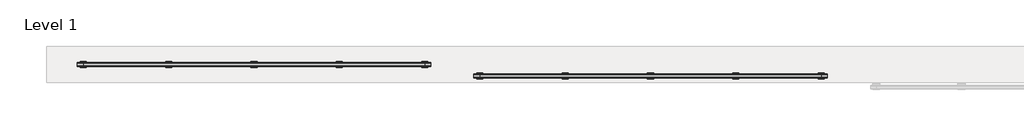
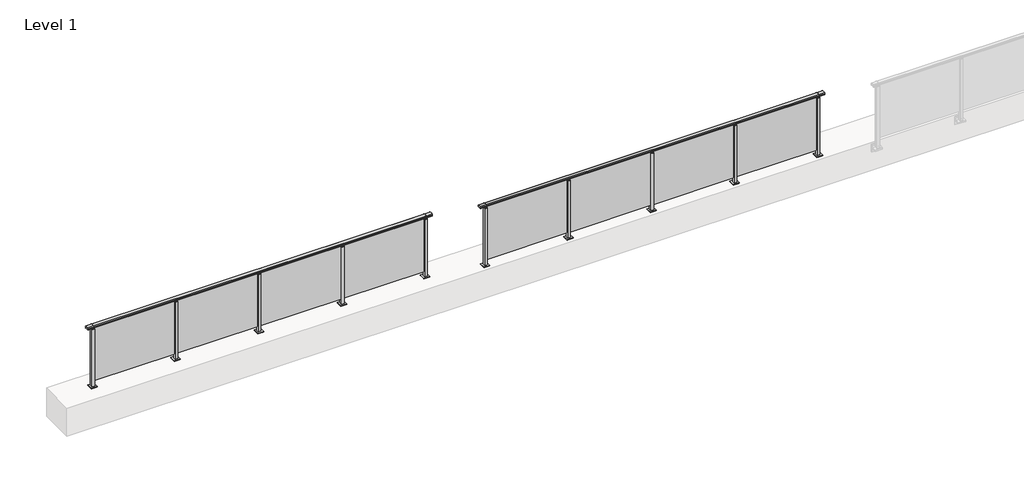
# One storey, part 49 of 64: 2 railings.
"""IFC4 building model written with IfcOpenShell, lengths in millimetres."""

from ifc_helpers import new_model, si_unit, frame, origin, origin_with_axes, place, context, project, spatial, polyline, circle_curve, outline, extrude, element, save
from ifc_brep_helpers import plane_surface, cylinder_surface, revolved_surface, advanced_brep

model = new_model("IFC4")

# Units and contexts
model_context = context("Model", 3, world=origin())
ifc_project = project(units=[si_unit("LENGTHUNIT", "METRE", prefix="MILLI")], contexts=[model_context])

# Site, building, storey
site = spatial("IfcSite", under=ifc_project)
building = spatial("IfcBuilding", under=site)
storey = spatial("IfcBuildingStorey", under=building, Name="Level 1", Elevation=0.0)

# Railings
placement = place(None, origin())
element("IfcRailing", 1, at=placement, inside=storey, context=model_context, shape_type="SolidModel", body=[
    advanced_brep(
    [(29900.0, 30215.3633756, 1095.6691182), (29900.0, 30220.1846828, 1081.1334092), (29900.0, 30219.2413744, 1069.2539035), (29900.0, 30221.1364177, 1061.4863007), (29900.0, 30219.4894799, 1060.384124), (29900.0, 30219.4894799, 1062.0), (29900.0, 30160.8798858, 1062.0), (29900.0, 30160.8798858, 1060.384124), (29900.0, 30159.232948, 1061.4863007), (29900.0, 30161.1279912, 1069.2539035), (29900.0, 30160.1846828, 1081.1334092), (29900.0, 30165.00599, 1095.6691182), (35700.0, 30215.3633756, 1095.6691182), (35700.0, 30165.00599, 1095.6691182), (35700.0, 30160.1846828, 1081.1334092), (35700.0, 30161.1279912, 1069.2539035), (35700.0, 30159.232948, 1061.4863007), (35700.0, 30160.8798858, 1060.384124), (35700.0, 30160.8798858, 1062.0), (35700.0, 30219.4894799, 1062.0), (35700.0, 30219.4894799, 1060.384124), (35700.0, 30221.1364177, 1061.4863007), (35700.0, 30219.2413744, 1069.2539035), (35700.0, 30220.1846828, 1081.1334092), (30000.0, 30215.3633756, 1095.6691182), (30000.0, 30220.1846828, 1081.1334092), (30000.0, 30219.2413744, 1069.2539035), (30000.0, 30221.1364177, 1061.4863007), (30000.0, 30219.4894799, 1060.384124), (30000.0, 30219.4894799, 1062.0), (30000.0, 30160.8798858, 1062.0), (30000.0, 30160.8798858, 1060.384124), (30000.0, 30159.232948, 1061.4863007), (30000.0, 30161.1279912, 1069.2539035), (30000.0, 30160.1846828, 1081.1334092), (30000.0, 30165.00599, 1095.6691182), (35600.0, 30215.3633756, 1095.6691182), (35600.0, 30220.1846828, 1081.1334092), (35600.0, 30219.2413744, 1069.2539035), (35600.0, 30221.1364177, 1061.4863007), (35600.0, 30219.4894799, 1060.384124), (35600.0, 30219.4894799, 1062.0), (35600.0, 30160.8798858, 1062.0), (35600.0, 30160.8798858, 1060.384124), (35600.0, 30159.232948, 1061.4863007), (35600.0, 30161.1279912, 1069.2539035), (35600.0, 30160.1846828, 1081.1334092), (35600.0, 30165.00599, 1095.6691182)],
    [
        (0, 1, circle_curve(frame((29900.0, 30212.1223845, 1086.526686), z_axis=(-1.0, 0.0, 0.0), x_axis=(0.0, -1.0, 0.0)), 9.6999015)),
        (1, 2, circle_curve(frame((29900.0, 30237.7252545, 1073.7633709), z_axis=(1.0, 0.0, 0.0), x_axis=(0.0, -1.0, 0.0)), 19.0260117)),
        (2, 3),
        (3, 4, circle_curve(frame((29900.0, 30220.2772073, 1060.9886194), z_axis=(-1.0, 0.0, 0.0), x_axis=(0.0, -1.0, 0.0)), 0.9929396)),
        (4, 5),
        (5, 6),
        (6, 7),
        (7, 8, circle_curve(frame((29900.0, 30160.0921584, 1060.9886194), z_axis=(-1.0, 0.0, 0.0), x_axis=(0.0, 1.0, 0.0)), 0.9929396)),
        (8, 9),
        (9, 10, circle_curve(frame((29900.0, 30142.6441111, 1073.7633709), z_axis=(1.0, 0.0, 0.0), x_axis=(0.0, 1.0, 0.0)), 19.0260117)),
        (10, 11, circle_curve(frame((29900.0, 30168.2469812, 1086.526686), z_axis=(-1.0, 0.0, 0.0), x_axis=(0.0, 1.0, 0.0)), 9.6999015)),
        (11, 0, circle_curve(frame((29900.0, 30190.1846828, 1024.6431628), z_axis=(-1.0, 0.0, 0.0), x_axis=(0.0, 1.0, 0.0)), 75.3568372)),
        (12, 13, circle_curve(frame((35700.0, 30190.1846828, 1024.6431628), z_axis=(1.0, 0.0, 0.0), x_axis=(0.0, 1.0, 0.0)), 75.3568372)),
        (13, 14, circle_curve(frame((35700.0, 30168.2469812, 1086.526686), z_axis=(1.0, 0.0, 0.0), x_axis=(0.0, 1.0, 0.0)), 9.6999015)),
        (14, 15, circle_curve(frame((35700.0, 30142.6441111, 1073.7633709), z_axis=(-1.0, 0.0, 0.0), x_axis=(0.0, 1.0, 0.0)), 19.0260117)),
        (15, 16),
        (16, 17, circle_curve(frame((35700.0, 30160.0921584, 1060.9886194), z_axis=(1.0, 0.0, 0.0), x_axis=(0.0, 1.0, 0.0)), 0.9929396)),
        (17, 18),
        (18, 19),
        (19, 20),
        (20, 21, circle_curve(frame((35700.0, 30220.2772073, 1060.9886194), z_axis=(1.0, 0.0, 0.0), x_axis=(0.0, -1.0, 0.0)), 0.9929396)),
        (21, 22),
        (22, 23, circle_curve(frame((35700.0, 30237.7252545, 1073.7633709), z_axis=(-1.0, 0.0, 0.0), x_axis=(0.0, -1.0, 0.0)), 19.0260117)),
        (23, 12, circle_curve(frame((35700.0, 30212.1223845, 1086.526686), z_axis=(1.0, 0.0, 0.0), x_axis=(0.0, -1.0, 0.0)), 9.6999015)),
        (0, 24),
        (24, 25, circle_curve(frame((30000.0, 30212.1223845, 1086.526686), z_axis=(-1.0, 0.0, 0.0), x_axis=(0.0, -1.0, 0.0)), 9.6999015)),
        (25, 1),
        (25, 26, circle_curve(frame((30000.0, 30237.7252545, 1073.7633709), z_axis=(1.0, 0.0, 0.0), x_axis=(0.0, -1.0, 0.0)), 19.0260117)),
        (26, 2),
        (26, 27),
        (27, 3),
        (27, 28, circle_curve(frame((30000.0, 30220.2772073, 1060.9886194), z_axis=(-1.0, 0.0, 0.0), x_axis=(0.0, -1.0, 0.0)), 0.9929396)),
        (28, 4),
        (28, 29),
        (29, 5),
        (29, 30),
        (30, 6),
        (30, 31),
        (31, 7),
        (31, 32, circle_curve(frame((30000.0, 30160.0921584, 1060.9886194), z_axis=(-1.0, 0.0, 0.0), x_axis=(0.0, 1.0, 0.0)), 0.9929396)),
        (32, 8),
        (32, 33),
        (33, 9),
        (33, 34, circle_curve(frame((30000.0, 30142.6441111, 1073.7633709), z_axis=(1.0, 0.0, 0.0), x_axis=(0.0, 1.0, 0.0)), 19.0260117)),
        (34, 10),
        (34, 35, circle_curve(frame((30000.0, 30168.2469812, 1086.526686), z_axis=(-1.0, 0.0, 0.0), x_axis=(0.0, 1.0, 0.0)), 9.6999015)),
        (35, 11),
        (35, 24, circle_curve(frame((30000.0, 30190.1846828, 1024.6431628), z_axis=(-1.0, 0.0, 0.0), x_axis=(0.0, 1.0, 0.0)), 75.3568372)),
        (24, 36),
        (36, 37, circle_curve(frame((35600.0, 30212.1223845, 1086.526686), z_axis=(-1.0, 0.0, 0.0), x_axis=(0.0, -1.0, 0.0)), 9.6999015)),
        (37, 25),
        (37, 38, circle_curve(frame((35600.0, 30237.7252545, 1073.7633709), z_axis=(1.0, 0.0, 0.0), x_axis=(0.0, -1.0, 0.0)), 19.0260117)),
        (38, 26),
        (38, 39),
        (39, 27),
        (39, 40, circle_curve(frame((35600.0, 30220.2772073, 1060.9886194), z_axis=(-1.0, 0.0, 0.0), x_axis=(0.0, -1.0, 0.0)), 0.9929396)),
        (40, 28),
        (40, 41),
        (41, 29),
        (41, 42),
        (42, 30),
        (42, 43),
        (43, 31),
        (43, 44, circle_curve(frame((35600.0, 30160.0921584, 1060.9886194), z_axis=(-1.0, 0.0, 0.0), x_axis=(0.0, 1.0, 0.0)), 0.9929396)),
        (44, 32),
        (44, 45),
        (45, 33),
        (45, 46, circle_curve(frame((35600.0, 30142.6441111, 1073.7633709), z_axis=(1.0, 0.0, 0.0), x_axis=(0.0, 1.0, 0.0)), 19.0260117)),
        (46, 34),
        (46, 47, circle_curve(frame((35600.0, 30168.2469812, 1086.526686), z_axis=(-1.0, 0.0, 0.0), x_axis=(0.0, 1.0, 0.0)), 9.6999015)),
        (47, 35),
        (47, 36, circle_curve(frame((35600.0, 30190.1846828, 1024.6431628), z_axis=(-1.0, 0.0, 0.0), x_axis=(0.0, 1.0, 0.0)), 75.3568372)),
        (36, 12),
        (23, 37),
        (22, 38),
        (21, 39),
        (20, 40),
        (19, 41),
        (18, 42),
        (17, 43),
        (16, 44),
        (15, 45),
        (14, 46),
        (13, 47),
    ],
    [
        plane_surface(frame((29900.0, 30190.1846828, 1100.0), z_axis=(-1.0, 0.0, 0.0), x_axis=(0.0, 1.0, 0.0))),
        plane_surface(frame((35700.0, 30190.1846828, 1100.0), z_axis=(1.0, 0.0, 0.0), x_axis=(0.0, 1.0, 0.0))),
        cylinder_surface(frame((29900.0, 30212.1223845, 1086.526686), z_axis=(-1.0, 0.0, 0.0), x_axis=(0.0, -1.0, 0.0)), 9.6999015),
        revolved_surface(polyline([(30000.0, 30218.6992428, 1073.7633709), (29900.0, 30218.6992428, 1073.7633709)]), (29900.0, 30237.7252545, 1073.7633709), (1.0, 0.0, 0.0)),
        plane_surface(frame((29900.0, 30219.2413744, 1069.2539035), z_axis=(0.0, 0.9715057689301543, 0.2370159086125439), x_axis=(1.0, 0.0, 0.0))),
        cylinder_surface(frame((29900.0, 30220.2772073, 1060.9886194), z_axis=(-1.0, 0.0, 0.0), x_axis=(0.0, -1.0, 0.0)), 0.9929396),
        plane_surface(frame((29900.0, 30219.4894799, 1060.384124), z_axis=(0.0, -1.0, 0.0), x_axis=(1.0, 0.0, 0.0))),
        plane_surface(frame((29900.0, 30219.4894799, 1062.0), z_axis=(0.0, 0.0, -1.0), x_axis=(1.0, 0.0, 0.0))),
        plane_surface(frame((29900.0, 30160.8798858, 1062.0), z_axis=(0.0, 1.0, 0.0), x_axis=(1.0, 0.0, 0.0))),
        cylinder_surface(frame((29900.0, 30160.0921584, 1060.9886194), z_axis=(-1.0, 0.0, 0.0), x_axis=(0.0, 1.0, 0.0)), 0.9929396),
        plane_surface(frame((29900.0, 30159.232948, 1061.4863007), z_axis=(0.0, -0.9715057689301543, 0.2370159086125439), x_axis=(1.0, 0.0, 0.0))),
        revolved_surface(polyline([(30000.0, 30161.6701228, 1073.7633709), (29900.0, 30161.6701228, 1073.7633709)]), (29900.0, 30142.6441111, 1073.7633709), (1.0, 0.0, 0.0)),
        cylinder_surface(frame((29900.0, 30168.2469812, 1086.526686), z_axis=(-1.0, 0.0, 0.0), x_axis=(0.0, 1.0, 0.0)), 9.6999015),
        cylinder_surface(frame((29900.0, 30190.1846828, 1024.6431628), z_axis=(-1.0, 0.0, 0.0), x_axis=(0.0, 1.0, 0.0)), 75.3568372),
        cylinder_surface(frame((30000.0, 30212.1223845, 1086.526686), z_axis=(-1.0, 0.0, 0.0), x_axis=(0.0, -1.0, 0.0)), 9.6999015),
        revolved_surface(polyline([(35600.0, 30218.6992428, 1073.7633709), (30000.0, 30218.6992428, 1073.7633709)]), (30000.0, 30237.7252545, 1073.7633709), (1.0, 0.0, 0.0)),
        plane_surface(frame((30000.0, 30219.2413744, 1069.2539035), z_axis=(0.0, 0.9715057689301543, 0.2370159086125439), x_axis=(1.0, 0.0, 0.0))),
        cylinder_surface(frame((30000.0, 30220.2772073, 1060.9886194), z_axis=(-1.0, 0.0, 0.0), x_axis=(0.0, -1.0, 0.0)), 0.9929396),
        plane_surface(frame((30000.0, 30219.4894799, 1060.384124), z_axis=(0.0, -1.0, 0.0), x_axis=(1.0, 0.0, 0.0))),
        plane_surface(frame((30000.0, 30219.4894799, 1062.0), z_axis=(0.0, 0.0, -1.0), x_axis=(1.0, 0.0, 0.0))),
        plane_surface(frame((30000.0, 30160.8798858, 1062.0), z_axis=(0.0, 1.0, 0.0), x_axis=(1.0, 0.0, 0.0))),
        cylinder_surface(frame((30000.0, 30160.0921584, 1060.9886194), z_axis=(-1.0, 0.0, 0.0), x_axis=(0.0, 1.0, 0.0)), 0.9929396),
        plane_surface(frame((30000.0, 30159.232948, 1061.4863007), z_axis=(0.0, -0.9715057689301543, 0.2370159086125439), x_axis=(1.0, 0.0, 0.0))),
        revolved_surface(polyline([(35600.0, 30161.6701228, 1073.7633709), (30000.0, 30161.6701228, 1073.7633709)]), (30000.0, 30142.6441111, 1073.7633709), (1.0, 0.0, 0.0)),
        cylinder_surface(frame((30000.0, 30168.2469812, 1086.526686), z_axis=(-1.0, 0.0, 0.0), x_axis=(0.0, 1.0, 0.0)), 9.6999015),
        cylinder_surface(frame((30000.0, 30190.1846828, 1024.6431628), z_axis=(-1.0, 0.0, 0.0), x_axis=(0.0, 1.0, 0.0)), 75.3568372),
        cylinder_surface(frame((35600.0, 30212.1223845, 1086.526686), z_axis=(-1.0, 0.0, 0.0), x_axis=(0.0, -1.0, 0.0)), 9.6999015),
        revolved_surface(polyline([(35700.0, 30218.6992428, 1073.7633709), (35600.0, 30218.6992428, 1073.7633709)]), (35600.0, 30237.7252545, 1073.7633709), (1.0, 0.0, 0.0)),
        plane_surface(frame((35600.0, 30219.2413744, 1069.2539035), z_axis=(0.0, 0.9715057689301543, 0.2370159086125439), x_axis=(1.0, 0.0, 0.0))),
        cylinder_surface(frame((35600.0, 30220.2772073, 1060.9886194), z_axis=(-1.0, 0.0, 0.0), x_axis=(0.0, -1.0, 0.0)), 0.9929396),
        plane_surface(frame((35600.0, 30219.4894799, 1060.384124), z_axis=(0.0, -1.0, 0.0), x_axis=(1.0, 0.0, 0.0))),
        plane_surface(frame((35600.0, 30219.4894799, 1062.0), z_axis=(0.0, 0.0, -1.0), x_axis=(1.0, 0.0, 0.0))),
        plane_surface(frame((35600.0, 30160.8798858, 1062.0), z_axis=(0.0, 1.0, 0.0), x_axis=(1.0, 0.0, 0.0))),
        cylinder_surface(frame((35600.0, 30160.0921584, 1060.9886194), z_axis=(-1.0, 0.0, 0.0), x_axis=(0.0, 1.0, 0.0)), 0.9929396),
        plane_surface(frame((35600.0, 30159.232948, 1061.4863007), z_axis=(0.0, -0.9715057689301543, 0.2370159086125439), x_axis=(1.0, 0.0, 0.0))),
        revolved_surface(polyline([(35700.0, 30161.6701228, 1073.7633709), (35600.0, 30161.6701228, 1073.7633709)]), (35600.0, 30142.6441111, 1073.7633709), (1.0, 0.0, 0.0)),
        cylinder_surface(frame((35600.0, 30168.2469812, 1086.526686), z_axis=(-1.0, 0.0, 0.0), x_axis=(0.0, 1.0, 0.0)), 9.6999015),
        cylinder_surface(frame((35600.0, 30190.1846828, 1024.6431628), z_axis=(-1.0, 0.0, 0.0), x_axis=(0.0, 1.0, 0.0)), 75.3568372),
    ],
    [
        (0, [[1, 2, 3, 4, 5, 6, 7, 8, 9, 10, 11, 12]]),
        (1, [[13, 14, 15, 16, 17, 18, 19, 20, 21, 22, 23, 24]]),
        (2, [[-1, 25, 26, 27]]),
        (3, [[-2, -27, 28, 29]]),
        (4, [[-3, -29, 30, 31]]),
        (5, [[-4, -31, 32, 33]]),
        (6, [[-5, -33, 34, 35]]),
        (7, [[-6, -35, 36, 37]]),
        (8, [[-7, -37, 38, 39]]),
        (9, [[-8, -39, 40, 41]]),
        (10, [[-9, -41, 42, 43]]),
        (11, [[-10, -43, 44, 45]]),
        (12, [[-11, -45, 46, 47]]),
        (13, [[-12, -47, 48, -25]]),
        (14, [[-26, 49, 50, 51]]),
        (15, [[-28, -51, 52, 53]]),
        (16, [[-30, -53, 54, 55]]),
        (17, [[-32, -55, 56, 57]]),
        (18, [[-34, -57, 58, 59]]),
        (19, [[-36, -59, 60, 61]]),
        (20, [[-38, -61, 62, 63]]),
        (21, [[-40, -63, 64, 65]]),
        (22, [[-42, -65, 66, 67]]),
        (23, [[-44, -67, 68, 69]]),
        (24, [[-46, -69, 70, 71]]),
        (25, [[-48, -71, 72, -49]]),
        (26, [[-50, 73, -24, 74]]),
        (27, [[-52, -74, -23, 75]]),
        (28, [[-54, -75, -22, 76]]),
        (29, [[-56, -76, -21, 77]]),
        (30, [[-58, -77, -20, 78]]),
        (31, [[-60, -78, -19, 79]]),
        (32, [[-62, -79, -18, 80]]),
        (33, [[-64, -80, -17, 81]]),
        (34, [[-66, -81, -16, 82]]),
        (35, [[-68, -82, -15, 83]]),
        (36, [[-70, -83, -14, 84]]),
        (37, [[-72, -84, -13, -73]]),
    ],
),
    extrude(outline(polyline([(34210.0, 30195.9598727), (35590.0, 30195.9598727), (35590.0, 30185.9598727), (34210.0, 30185.9598727), (34210.0, 30195.9598727)])), frame((0.0, 0.0, 95.0), z_axis=(0.0, 0.0, 1.0), x_axis=(1.0, 0.0, 0.0)), (0.0, 0.0, 1.0), 970.0),
    extrude(outline(polyline([(34210.0, 30180.1846828), (34190.0, 30180.1846828), (34190.0, 30200.1846828), (34210.0, 30200.1846828), (34210.0, 30180.1846828)])), frame((0.0, 0.0, 1035.0), z_axis=(0.0, 0.0, 1.0), x_axis=(1.0, 0.0, 0.0)), (0.0, 0.0, 1.0), 20.0),
    extrude(outline(polyline([(34222.5, 30167.6846828), (34177.5, 30167.6846828), (34177.5, 30212.6846828), (34222.5, 30212.6846828), (34222.5, 30167.6846828)])), frame((0.0, 0.0, 1027.0), z_axis=(0.0, 0.0, 1.0), x_axis=(1.0, 0.0, 0.0)), (0.0, 0.0, 1.0), 8.0),
    extrude(outline(polyline([(34250.0, 30140.1846828), (34150.0, 30140.1846828), (34150.0, 30240.1846828), (34250.0, 30240.1846828), (34250.0, 30140.1846828)])), origin_with_axes(), (0.0, 0.0, 1.0), 12.0),
    extrude(outline(polyline([(34222.5, 30167.6846828), (34177.5, 30167.6846828), (34177.5, 30212.6846828), (34222.5, 30212.6846828), (34222.5, 30167.6846828)])), frame((0.0, 0.0, 12.0), z_axis=(0.0, 0.0, 1.0), x_axis=(1.0, 0.0, 0.0)), (0.0, 0.0, 1.0), 1015.0),
    extrude(outline(polyline([(32810.0, 30195.9598727), (34190.0, 30195.9598727), (34190.0, 30185.9598727), (32810.0, 30185.9598727), (32810.0, 30195.9598727)])), frame((0.0, 0.0, 95.0), z_axis=(0.0, 0.0, 1.0), x_axis=(1.0, 0.0, 0.0)), (0.0, 0.0, 1.0), 970.0),
    extrude(outline(polyline([(32810.0, 30180.1846828), (32790.0, 30180.1846828), (32790.0, 30200.1846828), (32810.0, 30200.1846828), (32810.0, 30180.1846828)])), frame((0.0, 0.0, 1035.0), z_axis=(0.0, 0.0, 1.0), x_axis=(1.0, 0.0, 0.0)), (0.0, 0.0, 1.0), 20.0),
    extrude(outline(polyline([(32822.5, 30167.6846828), (32777.5, 30167.6846828), (32777.5, 30212.6846828), (32822.5, 30212.6846828), (32822.5, 30167.6846828)])), frame((0.0, 0.0, 1027.0), z_axis=(0.0, 0.0, 1.0), x_axis=(1.0, 0.0, 0.0)), (0.0, 0.0, 1.0), 8.0),
    extrude(outline(polyline([(32850.0, 30140.1846828), (32750.0, 30140.1846828), (32750.0, 30240.1846828), (32850.0, 30240.1846828), (32850.0, 30140.1846828)])), origin_with_axes(), (0.0, 0.0, 1.0), 12.0),
    extrude(outline(polyline([(32822.5, 30167.6846828), (32777.5, 30167.6846828), (32777.5, 30212.6846828), (32822.5, 30212.6846828), (32822.5, 30167.6846828)])), frame((0.0, 0.0, 12.0), z_axis=(0.0, 0.0, 1.0), x_axis=(1.0, 0.0, 0.0)), (0.0, 0.0, 1.0), 1015.0),
    extrude(outline(polyline([(31410.0, 30195.9598727), (32790.0, 30195.9598727), (32790.0, 30185.9598727), (31410.0, 30185.9598727), (31410.0, 30195.9598727)])), frame((0.0, 0.0, 95.0), z_axis=(0.0, 0.0, 1.0), x_axis=(1.0, 0.0, 0.0)), (0.0, 0.0, 1.0), 970.0),
    extrude(outline(polyline([(31410.0, 30180.1846828), (31390.0, 30180.1846828), (31390.0, 30200.1846828), (31410.0, 30200.1846828), (31410.0, 30180.1846828)])), frame((0.0, 0.0, 1035.0), z_axis=(0.0, 0.0, 1.0), x_axis=(1.0, 0.0, 0.0)), (0.0, 0.0, 1.0), 20.0),
    extrude(outline(polyline([(31422.5, 30167.6846828), (31377.5, 30167.6846828), (31377.5, 30212.6846828), (31422.5, 30212.6846828), (31422.5, 30167.6846828)])), frame((0.0, 0.0, 1027.0), z_axis=(0.0, 0.0, 1.0), x_axis=(1.0, 0.0, 0.0)), (0.0, 0.0, 1.0), 8.0),
    extrude(outline(polyline([(31450.0, 30140.1846828), (31350.0, 30140.1846828), (31350.0, 30240.1846828), (31450.0, 30240.1846828), (31450.0, 30140.1846828)])), origin_with_axes(), (0.0, 0.0, 1.0), 12.0),
    extrude(outline(polyline([(31422.5, 30167.6846828), (31377.5, 30167.6846828), (31377.5, 30212.6846828), (31422.5, 30212.6846828), (31422.5, 30167.6846828)])), frame((0.0, 0.0, 12.0), z_axis=(0.0, 0.0, 1.0), x_axis=(1.0, 0.0, 0.0)), (0.0, 0.0, 1.0), 1015.0),
    extrude(outline(polyline([(30010.0, 30195.9598727), (31390.0, 30195.9598727), (31390.0, 30185.9598727), (30010.0, 30185.9598727), (30010.0, 30195.9598727)])), frame((0.0, 0.0, 95.0), z_axis=(0.0, 0.0, 1.0), x_axis=(1.0, 0.0, 0.0)), (0.0, 0.0, 1.0), 970.0),
    extrude(outline(polyline([(35610.0, 30180.1846828), (35590.0, 30180.1846828), (35590.0, 30200.1846828), (35610.0, 30200.1846828), (35610.0, 30180.1846828)])), frame((0.0, 0.0, 1035.0), z_axis=(0.0, 0.0, 1.0), x_axis=(1.0, 0.0, 0.0)), (0.0, 0.0, 1.0), 20.0),
    extrude(outline(polyline([(35622.5, 30167.6846828), (35577.5, 30167.6846828), (35577.5, 30212.6846828), (35622.5, 30212.6846828), (35622.5, 30167.6846828)])), frame((0.0, 0.0, 1027.0), z_axis=(0.0, 0.0, 1.0), x_axis=(1.0, 0.0, 0.0)), (0.0, 0.0, 1.0), 8.0),
    extrude(outline(polyline([(35650.0, 30140.1846828), (35550.0, 30140.1846828), (35550.0, 30240.1846828), (35650.0, 30240.1846828), (35650.0, 30140.1846828)])), origin_with_axes(), (0.0, 0.0, 1.0), 12.0),
    extrude(outline(polyline([(35622.5, 30167.6846828), (35577.5, 30167.6846828), (35577.5, 30212.6846828), (35622.5, 30212.6846828), (35622.5, 30167.6846828)])), frame((0.0, 0.0, 12.0), z_axis=(0.0, 0.0, 1.0), x_axis=(1.0, 0.0, 0.0)), (0.0, 0.0, 1.0), 1015.0),
    extrude(outline(polyline([(30010.0, 30180.1846828), (29990.0, 30180.1846828), (29990.0, 30200.1846828), (30010.0, 30200.1846828), (30010.0, 30180.1846828)])), frame((0.0, 0.0, 1035.0), z_axis=(0.0, 0.0, 1.0), x_axis=(1.0, 0.0, 0.0)), (0.0, 0.0, 1.0), 20.0),
    extrude(outline(polyline([(30022.5, 30167.6846828), (29977.5, 30167.6846828), (29977.5, 30212.6846828), (30022.5, 30212.6846828), (30022.5, 30167.6846828)])), frame((0.0, 0.0, 1027.0), z_axis=(0.0, 0.0, 1.0), x_axis=(1.0, 0.0, 0.0)), (0.0, 0.0, 1.0), 8.0),
    extrude(outline(polyline([(30050.0, 30140.1846828), (29950.0, 30140.1846828), (29950.0, 30240.1846828), (30050.0, 30240.1846828), (30050.0, 30140.1846828)])), origin_with_axes(), (0.0, 0.0, 1.0), 12.0),
    extrude(outline(polyline([(30022.5, 30167.6846828), (29977.5, 30167.6846828), (29977.5, 30212.6846828), (30022.5, 30212.6846828), (30022.5, 30167.6846828)])), frame((0.0, 0.0, 12.0), z_axis=(0.0, 0.0, 1.0), x_axis=(1.0, 0.0, 0.0)), (0.0, 0.0, 1.0), 1015.0),
])
element("IfcRailing", 2, at=placement, inside=storey, context=model_context, shape_type="SolidModel", body=[
    advanced_brep(
    [(36400.0, 30025.3633756, 1095.6691182), (36400.0, 30030.1846828, 1081.1334092), (36400.0, 30029.2413744, 1069.2539035), (36400.0, 30031.1364177, 1061.4863007), (36400.0, 30029.4894799, 1060.384124), (36400.0, 30029.4894799, 1062.0), (36400.0, 29970.8798858, 1062.0), (36400.0, 29970.8798858, 1060.384124), (36400.0, 29969.232948, 1061.4863007), (36400.0, 29971.1279912, 1069.2539035), (36400.0, 29970.1846828, 1081.1334092), (36400.0, 29975.00599, 1095.6691182), (42200.0, 30025.3633756, 1095.6691182), (42200.0, 29975.00599, 1095.6691182), (42200.0, 29970.1846828, 1081.1334092), (42200.0, 29971.1279912, 1069.2539035), (42200.0, 29969.232948, 1061.4863007), (42200.0, 29970.8798858, 1060.384124), (42200.0, 29970.8798858, 1062.0), (42200.0, 30029.4894799, 1062.0), (42200.0, 30029.4894799, 1060.384124), (42200.0, 30031.1364177, 1061.4863007), (42200.0, 30029.2413744, 1069.2539035), (42200.0, 30030.1846828, 1081.1334092), (36500.0, 30025.3633756, 1095.6691182), (36500.0, 30030.1846828, 1081.1334092), (36500.0, 30029.2413744, 1069.2539035), (36500.0, 30031.1364177, 1061.4863007), (36500.0, 30029.4894799, 1060.384124), (36500.0, 30029.4894799, 1062.0), (36500.0, 29970.8798858, 1062.0), (36500.0, 29970.8798858, 1060.384124), (36500.0, 29969.232948, 1061.4863007), (36500.0, 29971.1279912, 1069.2539035), (36500.0, 29970.1846828, 1081.1334092), (36500.0, 29975.00599, 1095.6691182), (42100.0, 30025.3633756, 1095.6691182), (42100.0, 30030.1846828, 1081.1334092), (42100.0, 30029.2413744, 1069.2539035), (42100.0, 30031.1364177, 1061.4863007), (42100.0, 30029.4894799, 1060.384124), (42100.0, 30029.4894799, 1062.0), (42100.0, 29970.8798858, 1062.0), (42100.0, 29970.8798858, 1060.384124), (42100.0, 29969.232948, 1061.4863007), (42100.0, 29971.1279912, 1069.2539035), (42100.0, 29970.1846828, 1081.1334092), (42100.0, 29975.00599, 1095.6691182)],
    [
        (0, 1, circle_curve(frame((36400.0, 30022.1223845, 1086.526686), z_axis=(-1.0, 0.0, 0.0), x_axis=(0.0, -1.0, 0.0)), 9.6999015)),
        (1, 2, circle_curve(frame((36400.0, 30047.7252545, 1073.7633709), z_axis=(1.0, 0.0, 0.0), x_axis=(0.0, -1.0, 0.0)), 19.0260117)),
        (2, 3),
        (3, 4, circle_curve(frame((36400.0, 30030.2772073, 1060.9886194), z_axis=(-1.0, 0.0, 0.0), x_axis=(0.0, -1.0, 0.0)), 0.9929396)),
        (4, 5),
        (5, 6),
        (6, 7),
        (7, 8, circle_curve(frame((36400.0, 29970.0921584, 1060.9886194), z_axis=(-1.0, 0.0, 0.0), x_axis=(0.0, 1.0, 0.0)), 0.9929396)),
        (8, 9),
        (9, 10, circle_curve(frame((36400.0, 29952.6441111, 1073.7633709), z_axis=(1.0, 0.0, 0.0), x_axis=(0.0, 1.0, 0.0)), 19.0260117)),
        (10, 11, circle_curve(frame((36400.0, 29978.2469812, 1086.526686), z_axis=(-1.0, 0.0, 0.0), x_axis=(0.0, 1.0, 0.0)), 9.6999015)),
        (11, 0, circle_curve(frame((36400.0, 30000.1846828, 1024.6431628), z_axis=(-1.0, 0.0, 0.0), x_axis=(0.0, 1.0, 0.0)), 75.3568372)),
        (12, 13, circle_curve(frame((42200.0, 30000.1846828, 1024.6431628), z_axis=(1.0, 0.0, 0.0), x_axis=(0.0, 1.0, 0.0)), 75.3568372)),
        (13, 14, circle_curve(frame((42200.0, 29978.2469812, 1086.526686), z_axis=(1.0, 0.0, 0.0), x_axis=(0.0, 1.0, 0.0)), 9.6999015)),
        (14, 15, circle_curve(frame((42200.0, 29952.6441111, 1073.7633709), z_axis=(-1.0, 0.0, 0.0), x_axis=(0.0, 1.0, 0.0)), 19.0260117)),
        (15, 16),
        (16, 17, circle_curve(frame((42200.0, 29970.0921584, 1060.9886194), z_axis=(1.0, 0.0, 0.0), x_axis=(0.0, 1.0, 0.0)), 0.9929396)),
        (17, 18),
        (18, 19),
        (19, 20),
        (20, 21, circle_curve(frame((42200.0, 30030.2772073, 1060.9886194), z_axis=(1.0, 0.0, 0.0), x_axis=(0.0, -1.0, 0.0)), 0.9929396)),
        (21, 22),
        (22, 23, circle_curve(frame((42200.0, 30047.7252545, 1073.7633709), z_axis=(-1.0, 0.0, 0.0), x_axis=(0.0, -1.0, 0.0)), 19.0260117)),
        (23, 12, circle_curve(frame((42200.0, 30022.1223845, 1086.526686), z_axis=(1.0, 0.0, 0.0), x_axis=(0.0, -1.0, 0.0)), 9.6999015)),
        (0, 24),
        (24, 25, circle_curve(frame((36500.0, 30022.1223845, 1086.526686), z_axis=(-1.0, 0.0, 0.0), x_axis=(0.0, -1.0, 0.0)), 9.6999015)),
        (25, 1),
        (25, 26, circle_curve(frame((36500.0, 30047.7252545, 1073.7633709), z_axis=(1.0, 0.0, 0.0), x_axis=(0.0, -1.0, 0.0)), 19.0260117)),
        (26, 2),
        (26, 27),
        (27, 3),
        (27, 28, circle_curve(frame((36500.0, 30030.2772073, 1060.9886194), z_axis=(-1.0, 0.0, 0.0), x_axis=(0.0, -1.0, 0.0)), 0.9929396)),
        (28, 4),
        (28, 29),
        (29, 5),
        (29, 30),
        (30, 6),
        (30, 31),
        (31, 7),
        (31, 32, circle_curve(frame((36500.0, 29970.0921584, 1060.9886194), z_axis=(-1.0, 0.0, 0.0), x_axis=(0.0, 1.0, 0.0)), 0.9929396)),
        (32, 8),
        (32, 33),
        (33, 9),
        (33, 34, circle_curve(frame((36500.0, 29952.6441111, 1073.7633709), z_axis=(1.0, 0.0, 0.0), x_axis=(0.0, 1.0, 0.0)), 19.0260117)),
        (34, 10),
        (34, 35, circle_curve(frame((36500.0, 29978.2469812, 1086.526686), z_axis=(-1.0, 0.0, 0.0), x_axis=(0.0, 1.0, 0.0)), 9.6999015)),
        (35, 11),
        (35, 24, circle_curve(frame((36500.0, 30000.1846828, 1024.6431628), z_axis=(-1.0, 0.0, 0.0), x_axis=(0.0, 1.0, 0.0)), 75.3568372)),
        (24, 36),
        (36, 37, circle_curve(frame((42100.0, 30022.1223845, 1086.526686), z_axis=(-1.0, 0.0, 0.0), x_axis=(0.0, -1.0, 0.0)), 9.6999015)),
        (37, 25),
        (37, 38, circle_curve(frame((42100.0, 30047.7252545, 1073.7633709), z_axis=(1.0, 0.0, 0.0), x_axis=(0.0, -1.0, 0.0)), 19.0260117)),
        (38, 26),
        (38, 39),
        (39, 27),
        (39, 40, circle_curve(frame((42100.0, 30030.2772073, 1060.9886194), z_axis=(-1.0, 0.0, 0.0), x_axis=(0.0, -1.0, 0.0)), 0.9929396)),
        (40, 28),
        (40, 41),
        (41, 29),
        (41, 42),
        (42, 30),
        (42, 43),
        (43, 31),
        (43, 44, circle_curve(frame((42100.0, 29970.0921584, 1060.9886194), z_axis=(-1.0, 0.0, 0.0), x_axis=(0.0, 1.0, 0.0)), 0.9929396)),
        (44, 32),
        (44, 45),
        (45, 33),
        (45, 46, circle_curve(frame((42100.0, 29952.6441111, 1073.7633709), z_axis=(1.0, 0.0, 0.0), x_axis=(0.0, 1.0, 0.0)), 19.0260117)),
        (46, 34),
        (46, 47, circle_curve(frame((42100.0, 29978.2469812, 1086.526686), z_axis=(-1.0, 0.0, 0.0), x_axis=(0.0, 1.0, 0.0)), 9.6999015)),
        (47, 35),
        (47, 36, circle_curve(frame((42100.0, 30000.1846828, 1024.6431628), z_axis=(-1.0, 0.0, 0.0), x_axis=(0.0, 1.0, 0.0)), 75.3568372)),
        (36, 12),
        (23, 37),
        (22, 38),
        (21, 39),
        (20, 40),
        (19, 41),
        (18, 42),
        (17, 43),
        (16, 44),
        (15, 45),
        (14, 46),
        (13, 47),
    ],
    [
        plane_surface(frame((36400.0, 30000.1846828, 1100.0), z_axis=(-1.0, 0.0, 0.0), x_axis=(0.0, 1.0, 0.0))),
        plane_surface(frame((42200.0, 30000.1846828, 1100.0), z_axis=(1.0, 0.0, 0.0), x_axis=(0.0, 1.0, 0.0))),
        cylinder_surface(frame((36400.0, 30022.1223845, 1086.526686), z_axis=(-1.0, 0.0, 0.0), x_axis=(0.0, -1.0, 0.0)), 9.6999015),
        revolved_surface(polyline([(36500.0, 30028.6992428, 1073.7633709), (36400.0, 30028.6992428, 1073.7633709)]), (36400.0, 30047.7252545, 1073.7633709), (1.0, 0.0, 0.0)),
        plane_surface(frame((36400.0, 30029.2413744, 1069.2539035), z_axis=(0.0, 0.9715057689301543, 0.2370159086125439), x_axis=(1.0, 0.0, 0.0))),
        cylinder_surface(frame((36400.0, 30030.2772073, 1060.9886194), z_axis=(-1.0, 0.0, 0.0), x_axis=(0.0, -1.0, 0.0)), 0.9929396),
        plane_surface(frame((36400.0, 30029.4894799, 1060.384124), z_axis=(0.0, -1.0, 0.0), x_axis=(1.0, 0.0, 0.0))),
        plane_surface(frame((36400.0, 30029.4894799, 1062.0), z_axis=(0.0, 0.0, -1.0), x_axis=(1.0, 0.0, 0.0))),
        plane_surface(frame((36400.0, 29970.8798858, 1062.0), z_axis=(0.0, 1.0, 0.0), x_axis=(1.0, 0.0, 0.0))),
        cylinder_surface(frame((36400.0, 29970.0921584, 1060.9886194), z_axis=(-1.0, 0.0, 0.0), x_axis=(0.0, 1.0, 0.0)), 0.9929396),
        plane_surface(frame((36400.0, 29969.232948, 1061.4863007), z_axis=(0.0, -0.9715057689301543, 0.2370159086125439), x_axis=(1.0, 0.0, 0.0))),
        revolved_surface(polyline([(36500.0, 29971.6701228, 1073.7633709), (36400.0, 29971.6701228, 1073.7633709)]), (36400.0, 29952.6441111, 1073.7633709), (1.0, 0.0, 0.0)),
        cylinder_surface(frame((36400.0, 29978.2469812, 1086.526686), z_axis=(-1.0, 0.0, 0.0), x_axis=(0.0, 1.0, 0.0)), 9.6999015),
        cylinder_surface(frame((36400.0, 30000.1846828, 1024.6431628), z_axis=(-1.0, 0.0, 0.0), x_axis=(0.0, 1.0, 0.0)), 75.3568372),
        cylinder_surface(frame((36500.0, 30022.1223845, 1086.526686), z_axis=(-1.0, 0.0, 0.0), x_axis=(0.0, -1.0, 0.0)), 9.6999015),
        revolved_surface(polyline([(42100.0, 30028.6992428, 1073.7633709), (36500.0, 30028.6992428, 1073.7633709)]), (36500.0, 30047.7252545, 1073.7633709), (1.0, 0.0, 0.0)),
        plane_surface(frame((36500.0, 30029.2413744, 1069.2539035), z_axis=(0.0, 0.9715057689301543, 0.2370159086125439), x_axis=(1.0, 0.0, 0.0))),
        cylinder_surface(frame((36500.0, 30030.2772073, 1060.9886194), z_axis=(-1.0, 0.0, 0.0), x_axis=(0.0, -1.0, 0.0)), 0.9929396),
        plane_surface(frame((36500.0, 30029.4894799, 1060.384124), z_axis=(0.0, -1.0, 0.0), x_axis=(1.0, 0.0, 0.0))),
        plane_surface(frame((36500.0, 30029.4894799, 1062.0), z_axis=(0.0, 0.0, -1.0), x_axis=(1.0, 0.0, 0.0))),
        plane_surface(frame((36500.0, 29970.8798858, 1062.0), z_axis=(0.0, 1.0, 0.0), x_axis=(1.0, 0.0, 0.0))),
        cylinder_surface(frame((36500.0, 29970.0921584, 1060.9886194), z_axis=(-1.0, 0.0, 0.0), x_axis=(0.0, 1.0, 0.0)), 0.9929396),
        plane_surface(frame((36500.0, 29969.232948, 1061.4863007), z_axis=(0.0, -0.9715057689301543, 0.2370159086125439), x_axis=(1.0, 0.0, 0.0))),
        revolved_surface(polyline([(42100.0, 29971.6701228, 1073.7633709), (36500.0, 29971.6701228, 1073.7633709)]), (36500.0, 29952.6441111, 1073.7633709), (1.0, 0.0, 0.0)),
        cylinder_surface(frame((36500.0, 29978.2469812, 1086.526686), z_axis=(-1.0, 0.0, 0.0), x_axis=(0.0, 1.0, 0.0)), 9.6999015),
        cylinder_surface(frame((36500.0, 30000.1846828, 1024.6431628), z_axis=(-1.0, 0.0, 0.0), x_axis=(0.0, 1.0, 0.0)), 75.3568372),
        cylinder_surface(frame((42100.0, 30022.1223845, 1086.526686), z_axis=(-1.0, 0.0, 0.0), x_axis=(0.0, -1.0, 0.0)), 9.6999015),
        revolved_surface(polyline([(42200.0, 30028.6992428, 1073.7633709), (42100.0, 30028.6992428, 1073.7633709)]), (42100.0, 30047.7252545, 1073.7633709), (1.0, 0.0, 0.0)),
        plane_surface(frame((42100.0, 30029.2413744, 1069.2539035), z_axis=(0.0, 0.9715057689301543, 0.2370159086125439), x_axis=(1.0, 0.0, 0.0))),
        cylinder_surface(frame((42100.0, 30030.2772073, 1060.9886194), z_axis=(-1.0, 0.0, 0.0), x_axis=(0.0, -1.0, 0.0)), 0.9929396),
        plane_surface(frame((42100.0, 30029.4894799, 1060.384124), z_axis=(0.0, -1.0, 0.0), x_axis=(1.0, 0.0, 0.0))),
        plane_surface(frame((42100.0, 30029.4894799, 1062.0), z_axis=(0.0, 0.0, -1.0), x_axis=(1.0, 0.0, 0.0))),
        plane_surface(frame((42100.0, 29970.8798858, 1062.0), z_axis=(0.0, 1.0, 0.0), x_axis=(1.0, 0.0, 0.0))),
        cylinder_surface(frame((42100.0, 29970.0921584, 1060.9886194), z_axis=(-1.0, 0.0, 0.0), x_axis=(0.0, 1.0, 0.0)), 0.9929396),
        plane_surface(frame((42100.0, 29969.232948, 1061.4863007), z_axis=(0.0, -0.9715057689301543, 0.2370159086125439), x_axis=(1.0, 0.0, 0.0))),
        revolved_surface(polyline([(42200.0, 29971.6701228, 1073.7633709), (42100.0, 29971.6701228, 1073.7633709)]), (42100.0, 29952.6441111, 1073.7633709), (1.0, 0.0, 0.0)),
        cylinder_surface(frame((42100.0, 29978.2469812, 1086.526686), z_axis=(-1.0, 0.0, 0.0), x_axis=(0.0, 1.0, 0.0)), 9.6999015),
        cylinder_surface(frame((42100.0, 30000.1846828, 1024.6431628), z_axis=(-1.0, 0.0, 0.0), x_axis=(0.0, 1.0, 0.0)), 75.3568372),
    ],
    [
        (0, [[1, 2, 3, 4, 5, 6, 7, 8, 9, 10, 11, 12]]),
        (1, [[13, 14, 15, 16, 17, 18, 19, 20, 21, 22, 23, 24]]),
        (2, [[-1, 25, 26, 27]]),
        (3, [[-2, -27, 28, 29]]),
        (4, [[-3, -29, 30, 31]]),
        (5, [[-4, -31, 32, 33]]),
        (6, [[-5, -33, 34, 35]]),
        (7, [[-6, -35, 36, 37]]),
        (8, [[-7, -37, 38, 39]]),
        (9, [[-8, -39, 40, 41]]),
        (10, [[-9, -41, 42, 43]]),
        (11, [[-10, -43, 44, 45]]),
        (12, [[-11, -45, 46, 47]]),
        (13, [[-12, -47, 48, -25]]),
        (14, [[-26, 49, 50, 51]]),
        (15, [[-28, -51, 52, 53]]),
        (16, [[-30, -53, 54, 55]]),
        (17, [[-32, -55, 56, 57]]),
        (18, [[-34, -57, 58, 59]]),
        (19, [[-36, -59, 60, 61]]),
        (20, [[-38, -61, 62, 63]]),
        (21, [[-40, -63, 64, 65]]),
        (22, [[-42, -65, 66, 67]]),
        (23, [[-44, -67, 68, 69]]),
        (24, [[-46, -69, 70, 71]]),
        (25, [[-48, -71, 72, -49]]),
        (26, [[-50, 73, -24, 74]]),
        (27, [[-52, -74, -23, 75]]),
        (28, [[-54, -75, -22, 76]]),
        (29, [[-56, -76, -21, 77]]),
        (30, [[-58, -77, -20, 78]]),
        (31, [[-60, -78, -19, 79]]),
        (32, [[-62, -79, -18, 80]]),
        (33, [[-64, -80, -17, 81]]),
        (34, [[-66, -81, -16, 82]]),
        (35, [[-68, -82, -15, 83]]),
        (36, [[-70, -83, -14, 84]]),
        (37, [[-72, -84, -13, -73]]),
    ],
),
    extrude(outline(polyline([(40710.0, 30005.9598727), (42090.0, 30005.9598727), (42090.0, 29995.9598727), (40710.0, 29995.9598727), (40710.0, 30005.9598727)])), frame((0.0, 0.0, 95.0), z_axis=(0.0, 0.0, 1.0), x_axis=(1.0, 0.0, 0.0)), (0.0, 0.0, 1.0), 960.0),
    extrude(outline(polyline([(40710.0, 29990.1846828), (40690.0, 29990.1846828), (40690.0, 30010.1846828), (40710.0, 30010.1846828), (40710.0, 29990.1846828)])), frame((0.0, 0.0, 1035.0), z_axis=(0.0, 0.0, 1.0), x_axis=(1.0, 0.0, 0.0)), (0.0, 0.0, 1.0), 20.0),
    extrude(outline(polyline([(40722.5, 29977.6846828), (40677.5, 29977.6846828), (40677.5, 30022.6846828), (40722.5, 30022.6846828), (40722.5, 29977.6846828)])), frame((0.0, 0.0, 1027.0), z_axis=(0.0, 0.0, 1.0), x_axis=(1.0, 0.0, 0.0)), (0.0, 0.0, 1.0), 8.0),
    extrude(outline(polyline([(40750.0, 29950.1846828), (40650.0, 29950.1846828), (40650.0, 30050.1846828), (40750.0, 30050.1846828), (40750.0, 29950.1846828)])), origin_with_axes(), (0.0, 0.0, 1.0), 12.0),
    extrude(outline(polyline([(40722.5, 29977.6846828), (40677.5, 29977.6846828), (40677.5, 30022.6846828), (40722.5, 30022.6846828), (40722.5, 29977.6846828)])), frame((0.0, 0.0, 12.0), z_axis=(0.0, 0.0, 1.0), x_axis=(1.0, 0.0, 0.0)), (0.0, 0.0, 1.0), 1015.0),
    extrude(outline(polyline([(39310.0, 30005.9598727), (40690.0, 30005.9598727), (40690.0, 29995.9598727), (39310.0, 29995.9598727), (39310.0, 30005.9598727)])), frame((0.0, 0.0, 95.0), z_axis=(0.0, 0.0, 1.0), x_axis=(1.0, 0.0, 0.0)), (0.0, 0.0, 1.0), 960.0),
    extrude(outline(polyline([(39310.0, 29990.1846828), (39290.0, 29990.1846828), (39290.0, 30010.1846828), (39310.0, 30010.1846828), (39310.0, 29990.1846828)])), frame((0.0, 0.0, 1035.0), z_axis=(0.0, 0.0, 1.0), x_axis=(1.0, 0.0, 0.0)), (0.0, 0.0, 1.0), 20.0),
    extrude(outline(polyline([(39322.5, 29977.6846828), (39277.5, 29977.6846828), (39277.5, 30022.6846828), (39322.5, 30022.6846828), (39322.5, 29977.6846828)])), frame((0.0, 0.0, 1027.0), z_axis=(0.0, 0.0, 1.0), x_axis=(1.0, 0.0, 0.0)), (0.0, 0.0, 1.0), 8.0),
    extrude(outline(polyline([(39350.0, 29950.1846828), (39250.0, 29950.1846828), (39250.0, 30050.1846828), (39350.0, 30050.1846828), (39350.0, 29950.1846828)])), origin_with_axes(), (0.0, 0.0, 1.0), 12.0),
    extrude(outline(polyline([(39322.5, 29977.6846828), (39277.5, 29977.6846828), (39277.5, 30022.6846828), (39322.5, 30022.6846828), (39322.5, 29977.6846828)])), frame((0.0, 0.0, 12.0), z_axis=(0.0, 0.0, 1.0), x_axis=(1.0, 0.0, 0.0)), (0.0, 0.0, 1.0), 1015.0),
    extrude(outline(polyline([(37910.0, 30005.9598727), (39290.0, 30005.9598727), (39290.0, 29995.9598727), (37910.0, 29995.9598727), (37910.0, 30005.9598727)])), frame((0.0, 0.0, 95.0), z_axis=(0.0, 0.0, 1.0), x_axis=(1.0, 0.0, 0.0)), (0.0, 0.0, 1.0), 960.0),
    extrude(outline(polyline([(37910.0, 29990.1846828), (37890.0, 29990.1846828), (37890.0, 30010.1846828), (37910.0, 30010.1846828), (37910.0, 29990.1846828)])), frame((0.0, 0.0, 1035.0), z_axis=(0.0, 0.0, 1.0), x_axis=(1.0, 0.0, 0.0)), (0.0, 0.0, 1.0), 20.0),
    extrude(outline(polyline([(37922.5, 29977.6846828), (37877.5, 29977.6846828), (37877.5, 30022.6846828), (37922.5, 30022.6846828), (37922.5, 29977.6846828)])), frame((0.0, 0.0, 1027.0), z_axis=(0.0, 0.0, 1.0), x_axis=(1.0, 0.0, 0.0)), (0.0, 0.0, 1.0), 8.0),
    extrude(outline(polyline([(37950.0, 29950.1846828), (37850.0, 29950.1846828), (37850.0, 30050.1846828), (37950.0, 30050.1846828), (37950.0, 29950.1846828)])), origin_with_axes(), (0.0, 0.0, 1.0), 12.0),
    extrude(outline(polyline([(37922.5, 29977.6846828), (37877.5, 29977.6846828), (37877.5, 30022.6846828), (37922.5, 30022.6846828), (37922.5, 29977.6846828)])), frame((0.0, 0.0, 12.0), z_axis=(0.0, 0.0, 1.0), x_axis=(1.0, 0.0, 0.0)), (0.0, 0.0, 1.0), 1015.0),
    extrude(outline(polyline([(36510.0, 30005.9598727), (37890.0, 30005.9598727), (37890.0, 29995.9598727), (36510.0, 29995.9598727), (36510.0, 30005.9598727)])), frame((0.0, 0.0, 95.0), z_axis=(0.0, 0.0, 1.0), x_axis=(1.0, 0.0, 0.0)), (0.0, 0.0, 1.0), 960.0),
    extrude(outline(polyline([(42110.0, 29990.1846828), (42090.0, 29990.1846828), (42090.0, 30010.1846828), (42110.0, 30010.1846828), (42110.0, 29990.1846828)])), frame((0.0, 0.0, 1035.0), z_axis=(0.0, 0.0, 1.0), x_axis=(1.0, 0.0, 0.0)), (0.0, 0.0, 1.0), 20.0),
    extrude(outline(polyline([(42122.5, 29977.6846828), (42077.5, 29977.6846828), (42077.5, 30022.6846828), (42122.5, 30022.6846828), (42122.5, 29977.6846828)])), frame((0.0, 0.0, 1027.0), z_axis=(0.0, 0.0, 1.0), x_axis=(1.0, 0.0, 0.0)), (0.0, 0.0, 1.0), 8.0),
    extrude(outline(polyline([(42150.0, 29950.1846828), (42050.0, 29950.1846828), (42050.0, 30050.1846828), (42150.0, 30050.1846828), (42150.0, 29950.1846828)])), origin_with_axes(), (0.0, 0.0, 1.0), 12.0),
    extrude(outline(polyline([(42122.5, 29977.6846828), (42077.5, 29977.6846828), (42077.5, 30022.6846828), (42122.5, 30022.6846828), (42122.5, 29977.6846828)])), frame((0.0, 0.0, 12.0), z_axis=(0.0, 0.0, 1.0), x_axis=(1.0, 0.0, 0.0)), (0.0, 0.0, 1.0), 1015.0),
    extrude(outline(polyline([(36510.0, 29990.1846828), (36490.0, 29990.1846828), (36490.0, 30010.1846828), (36510.0, 30010.1846828), (36510.0, 29990.1846828)])), frame((0.0, 0.0, 1035.0), z_axis=(0.0, 0.0, 1.0), x_axis=(1.0, 0.0, 0.0)), (0.0, 0.0, 1.0), 20.0),
    extrude(outline(polyline([(36522.5, 29977.6846828), (36477.5, 29977.6846828), (36477.5, 30022.6846828), (36522.5, 30022.6846828), (36522.5, 29977.6846828)])), frame((0.0, 0.0, 1027.0), z_axis=(0.0, 0.0, 1.0), x_axis=(1.0, 0.0, 0.0)), (0.0, 0.0, 1.0), 8.0),
    extrude(outline(polyline([(36550.0, 29950.1846828), (36450.0, 29950.1846828), (36450.0, 30050.1846828), (36550.0, 30050.1846828), (36550.0, 29950.1846828)])), origin_with_axes(), (0.0, 0.0, 1.0), 12.0),
    extrude(outline(polyline([(36522.5, 29977.6846828), (36477.5, 29977.6846828), (36477.5, 30022.6846828), (36522.5, 30022.6846828), (36522.5, 29977.6846828)])), frame((0.0, 0.0, 12.0), z_axis=(0.0, 0.0, 1.0), x_axis=(1.0, 0.0, 0.0)), (0.0, 0.0, 1.0), 1015.0),
])

save(model, "model.ifc")
